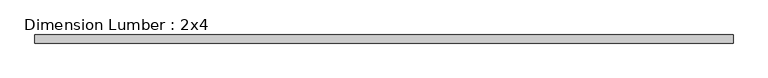
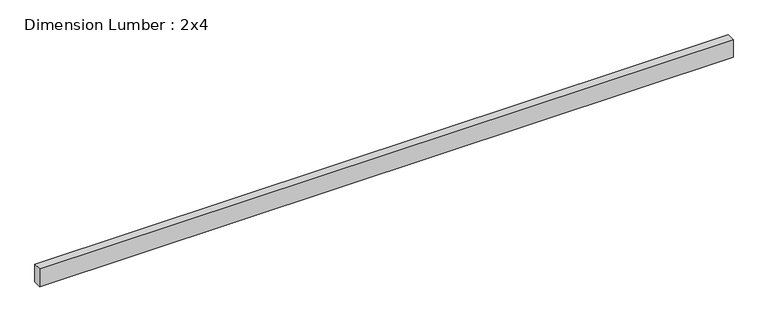
"""IFC4 building model written with IfcOpenShell, lengths in millimetres: beam geometry, Dimension Lumber : 2x4."""

from ifc_helpers import new_model, si_unit, frame, origin, place, context, project, spatial, polyline, outline, extrude, source, transform, mapped, element, save


def dimension_lumber_2x4_9dd0152d(model_context):
    return source(origin(), model_context, "Body", "SweptSolid", [
        extrude(outline(polyline([(1557.9711526, 19.05), (1557.9711526, -19.05), (-1701.00625, -19.05), (-1701.00625, 19.05), (1557.9711526, 19.05)])), frame((0.0, 0.0, -44.45), z_axis=(0.0, 0.0, 1.0), x_axis=(1.0, 0.0, 0.0)), (0.0, 0.0, 1.0), 88.9),
    ])


if __name__ == "__main__":
    model = new_model("IFC4")
    model_context = context("Model", 3, world=origin())
    ifc_project = project(units=[si_unit("LENGTHUNIT", "METRE", prefix="MILLI")], contexts=[model_context])
    site = spatial("IfcSite", under=ifc_project)
    building = spatial("IfcBuilding", under=site)
    placement = place(None, origin())
    dimension_lumber_2x4_shape = dimension_lumber_2x4_9dd0152d(model_context)
    element("IfcBeam", 1, ObjectType="Dimension Lumber : 2x4", at=placement, inside=building, context=model_context, shape_type="MappedRepresentation", body=[
        mapped(dimension_lumber_2x4_shape, transform((0.0, 0.0, 0.0), x_axis=(1.0, 0.0, 0.0), y_axis=(0.0, 1.0, 0.0), z_axis=(0.0, 0.0, 1.0))),
    ])
    save(model, "model.ifc")
